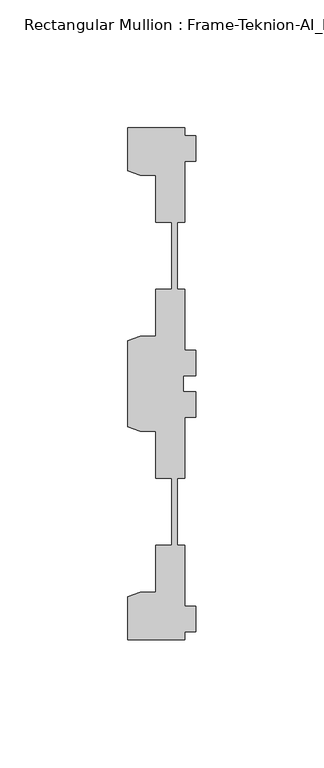
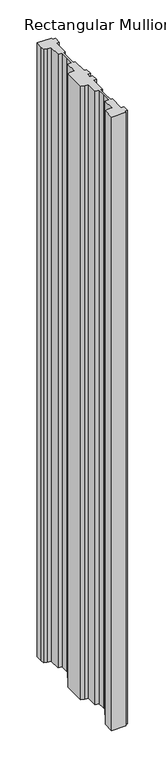
"""IFC4 building model written with IfcOpenShell, lengths in millimetres: member geometry, Rectangular Mullion : Frame-Teknion-AI_Healthcare-Ceiling_Double_Channel."""

from ifc_helpers import new_model, si_unit, frame, origin, place, context, project, spatial, polyline, outline, extrude, source, transform, mapped, element, save


def rectangular_mullion_frame_teknion_ai_healthcare_ceiling_83bef379(model_context):
    return source(origin(), model_context, "Body", "SweptSolid", [
        extrude(outline(polyline([(-4.2672007, -100.0110586), (-26.4921999, -100.0110586), (-26.4921999, -83.20115), (-21.6625199, -81.4690854), (-15.6737764, -81.4690854), (-15.6737764, -63.0920594), (-9.4507761, -63.0920594), (-9.4507761, -47.8659877), (-9.4507761, -36.9300571), (-15.6737764, -36.9300571), (-15.6737764, -18.5530311), (-21.6357055, -18.5530311), (-26.4921999, -16.8113452), (-26.4921999, 16.8113452), (-21.6625199, 18.5434146), (-15.6737764, 18.5434146), (-15.6737764, 36.9204406), (-9.4507761, 36.9204406), (-9.4507761, 50.8315128), (-9.4507761, 63.0824429), (-15.6737764, 63.0824429), (-15.6737764, 81.4594689), (-21.6625199, 81.4594689), (-26.4921999, 83.1915336), (-26.4921999, 90.2224424), (-26.4921999, 100.0014421), (-4.2672007, 100.0014421), (-4.2672007, 96.9534451), (0.0, 96.9534451), (0.0, 86.9534377), (-4.2672007, 86.9534377), (-4.2672007, 63.0824429), (-7.1647766, 63.0824429), (-7.1647766, 50.7500324), (-7.1647766, 36.9204406), (-4.2672007, 36.9204406), (-4.2672007, 13.0494413), (0.0, 13.0494413), (0.0, 3.0494419), (-4.7752002, 3.0494419), (-4.7752002, 0.0), (-4.7752002, -3.0494419), (0.0, -3.0494419), (0.0, -13.0494413), (-4.2672007, -13.0494413), (-4.2672007, -36.9204406), (-7.1647766, -36.9204406), (-7.1647766, -48.9859882), (-7.1647766, -63.0824429), (-4.2672007, -63.0824429), (-4.2672007, -86.9534377), (0.0, -86.9534377), (0.0, -96.9534451), (-4.2672007, -96.9534451), (-4.2672007, -100.0110586)])), frame((0.0, 0.0, -1003.3), z_axis=(0.0, 0.0, 1.0), x_axis=(1.0, 0.0, 0.0)), (0.0, 0.0, 1.0), 1003.3),
    ])


if __name__ == "__main__":
    model = new_model("IFC4")
    model_context = context("Model", 3, world=origin())
    ifc_project = project(units=[si_unit("LENGTHUNIT", "METRE", prefix="MILLI")], contexts=[model_context])
    site = spatial("IfcSite", under=ifc_project)
    building = spatial("IfcBuilding", under=site)
    placement = place(None, origin())
    rectangular_mullion_frame_teknion_ai_healthcare_ceiling_shape = rectangular_mullion_frame_teknion_ai_healthcare_ceiling_83bef379(model_context)
    element("IfcMember", 1, ObjectType="Rectangular Mullion : Frame-Teknion-AI_Healthcare-Ceiling_Double_Channel", at=placement, inside=building, context=model_context, shape_type="MappedRepresentation", body=[
        mapped(rectangular_mullion_frame_teknion_ai_healthcare_ceiling_shape, transform((0.0, 0.0, 0.0), x_axis=(1.0, 0.0, 0.0), y_axis=(0.0, 1.0, 0.0), z_axis=(0.0, 0.0, 1.0))),
    ])
    save(model, "model.ifc")
